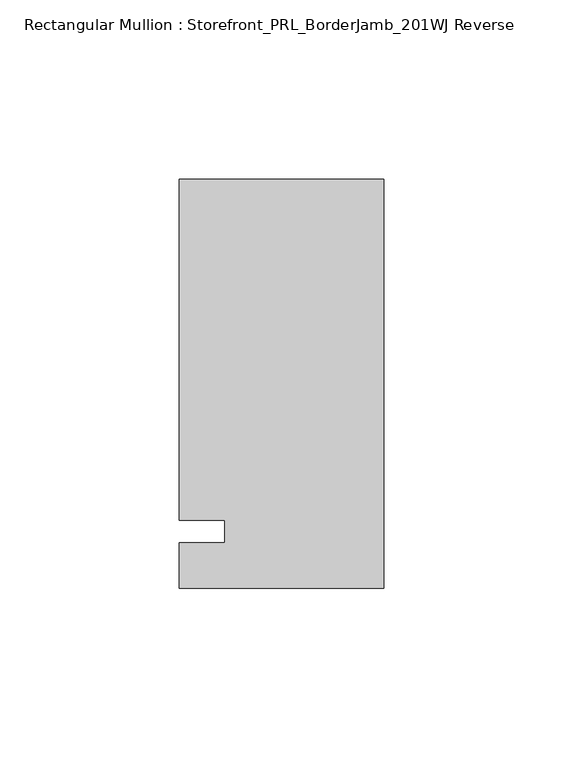
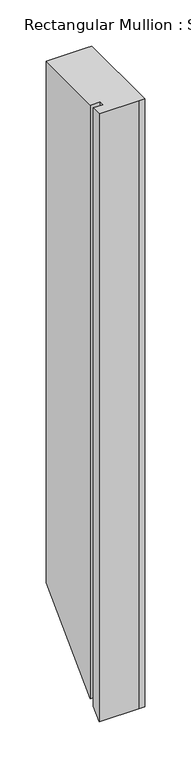
"""IFC4 building model written with IfcOpenShell, lengths in millimetres: member geometry, Rectangular Mullion : Storefront_PRL_BorderJamb_201WJ Reverse."""

from ifc_helpers import new_model, si_unit, origin, place, context, project, spatial, faceted_brep, source, transform, mapped, element, save


def rectangular_mullion_storefront_prl_borderjamb_201wj_reverse_d61f2df8(model_context):
    return source(origin(), model_context, "Body", "Brep", [
        faceted_brep([(-44.45, 3.175, 0.0), (-44.45, -3.175, 0.0), (-57.15, -3.175, 0.0), (-57.15, -15.875, 0.0), (-7.3958824, -15.875, 0.0), (0.0, -15.875, 0.0), (0.0, 98.425, 0.0), (-6.35, 98.425, 0.0), (-57.15, 98.425, 0.0), (-57.15, 3.175, 0.0), (-44.45, 3.175, -784.225), (-44.45, -3.175, -790.575), (-57.15, -3.175, -790.575), (-57.15, -15.875, -803.275), (-7.3958824, -15.875, -803.275), (0.0, -15.875, -803.275), (0.0, 98.425, -688.975), (-6.35, 98.425, -688.975), (-57.15, 98.425, -688.975), (-57.15, 3.175, -784.225)], [[[0, 1, 2, 3, 4, 5, 6, 7, 8, 9]], [[1, 0, 10, 11]], [[2, 1, 11, 12]], [[3, 2, 12, 13]], [[4, 3, 13, 14]], [[5, 4, 14, 15]], [[6, 5, 15, 16]], [[7, 6, 16, 17]], [[8, 7, 17, 18]], [[9, 8, 18, 19]], [[0, 9, 19, 10]], [[10, 19, 18, 17, 16, 15, 14, 13, 12, 11]]]),
    ])


if __name__ == "__main__":
    model = new_model("IFC4")
    model_context = context("Model", 3, world=origin())
    ifc_project = project(units=[si_unit("LENGTHUNIT", "METRE", prefix="MILLI")], contexts=[model_context])
    site = spatial("IfcSite", under=ifc_project)
    building = spatial("IfcBuilding", under=site)
    placement = place(None, origin())
    rectangular_mullion_storefront_prl_borderjamb_201wj_reverse_shape = rectangular_mullion_storefront_prl_borderjamb_201wj_reverse_d61f2df8(model_context)
    element("IfcMember", 1, ObjectType="Rectangular Mullion : Storefront_PRL_BorderJamb_201WJ Reverse", at=placement, inside=building, context=model_context, shape_type="MappedRepresentation", body=[
        mapped(rectangular_mullion_storefront_prl_borderjamb_201wj_reverse_shape, transform((0.0, 0.0, 0.0), x_axis=(1.0, 0.0, 0.0), y_axis=(0.0, 1.0, 0.0), z_axis=(0.0, 0.0, 1.0))),
    ])
    save(model, "model.ifc")
